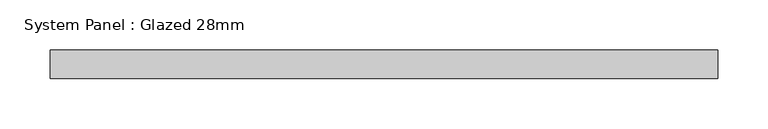
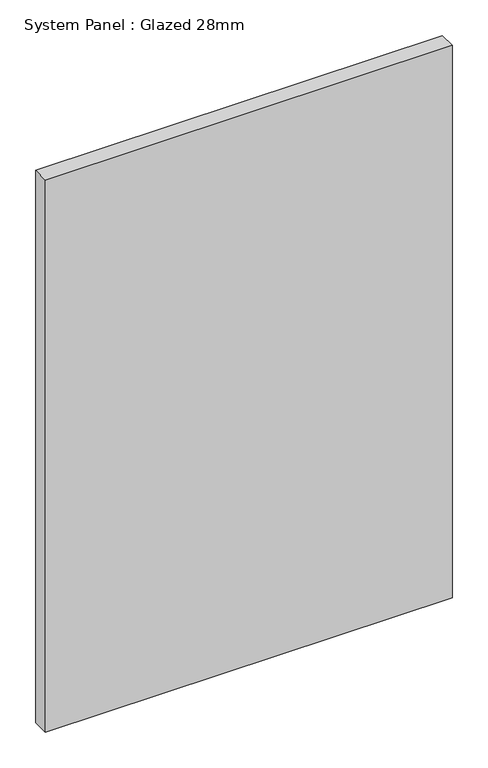
"""IFC4 building model written with IfcOpenShell, lengths in millimetres: plate geometry, System Panel : Glazed 28mm."""

from ifc_helpers import new_model, si_unit, origin, origin_with_axes, place, context, project, spatial, polyline, outline, extrude, source, transform, mapped, element, save


def system_panel_glazed_28mm_2f632a29(model_context):
    return source(origin(), model_context, "Body", "SweptSolid", [
        extrude(outline(polyline([(330.5938607, -14.0), (-330.5938607, -14.0), (-330.5938607, 14.0), (330.5938607, 14.0), (330.5938607, -14.0)])), origin_with_axes(), (0.0, 0.0, 1.0), 948.6794583),
    ])


if __name__ == "__main__":
    model = new_model("IFC4")
    model_context = context("Model", 3, world=origin())
    ifc_project = project(units=[si_unit("LENGTHUNIT", "METRE", prefix="MILLI")], contexts=[model_context])
    site = spatial("IfcSite", under=ifc_project)
    building = spatial("IfcBuilding", under=site)
    placement = place(None, origin())
    system_panel_glazed_28mm_shape = system_panel_glazed_28mm_2f632a29(model_context)
    element("IfcPlate", 1, ObjectType="System Panel : Glazed 28mm", at=placement, inside=building, context=model_context, shape_type="MappedRepresentation", body=[
        mapped(system_panel_glazed_28mm_shape, transform((0.0, 0.0, 0.0), x_axis=(1.0, 0.0, 0.0), y_axis=(0.0, 1.0, 0.0), z_axis=(0.0, 0.0, 1.0))),
    ])
    save(model, "model.ifc")
